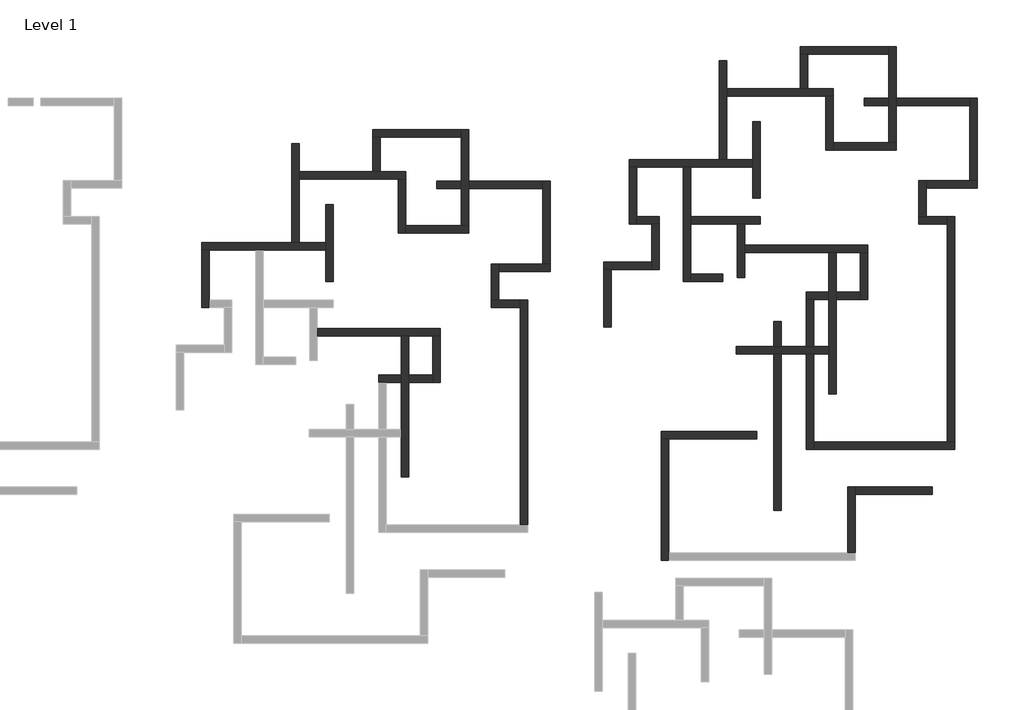
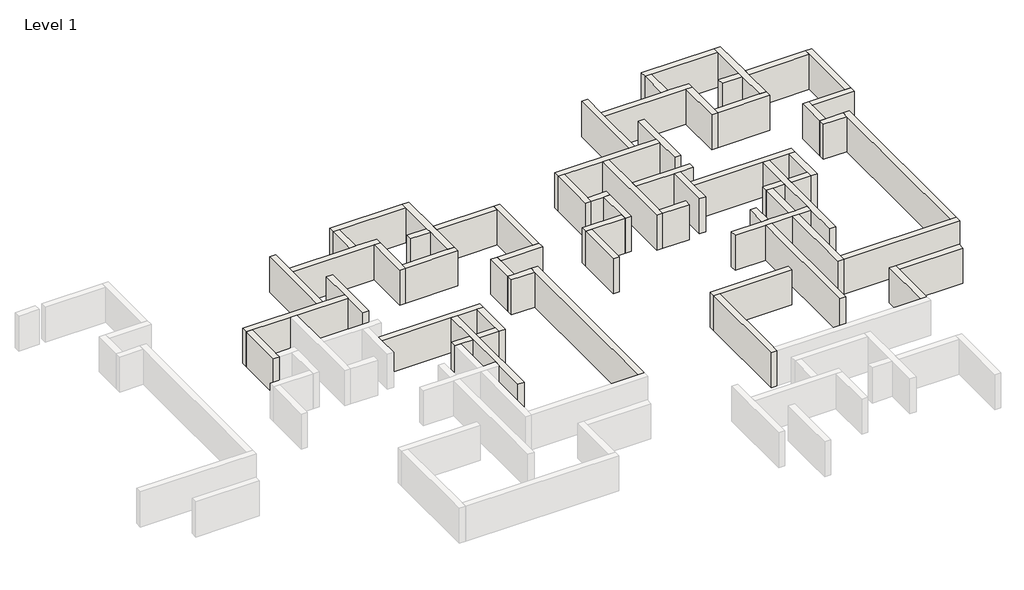
# One storey, part 7 of 7: 56 walls.
"""IFC4 building model written with IfcOpenShell, lengths in millimetres."""

from ifc_helpers import new_model, si_unit, origin, origin_with_axes, place, context, project, spatial, polyline, outline, extrude, faceted_brep, element, save

model = new_model("IFC4")

# Units and contexts
model_context = context("Model", 3, world=origin())
ifc_project = project(units=[si_unit("LENGTHUNIT", "METRE", prefix="MILLI")], contexts=[model_context])

# Site, building, storey
site = spatial("IfcSite", under=ifc_project)
building = spatial("IfcBuilding", under=site)
storey = spatial("IfcBuildingStorey", under=building, Name="Level 1", Elevation=0.0)

# Walls
placement = place(None, origin())
element("IfcWall", 1, ObjectType="Generic - 200mm", at=placement, inside=storey, context=model_context, shape_type="Brep", body=[
    faceted_brep([(37365.1966596, 18137.4534844, 0.0), (37865.1966596, 18137.4534844, 0.0), (40965.1966596, 18137.4534844, 0.0), (41465.1966596, 18137.4534844, 0.0), (45615.1966596, 18137.4534844, 0.0), (45615.1966596, 18137.4534844, 3000.0), (41465.1966596, 18137.4534844, 3000.0), (40965.1966596, 18137.4534844, 3000.0), (37865.1966596, 18137.4534844, 3000.0), (37365.1966596, 18137.4534844, 3000.0), (37365.1966596, 18637.4534844, 0.0), (37365.1966596, 18637.4534844, 3000.0), (43365.1966596, 18637.4534844, 3000.0), (43865.1966596, 18637.4534844, 3000.0), (45615.1966596, 18637.4534844, 3000.0), (45615.1966596, 18637.4534844, 0.0), (43865.1966596, 18637.4534844, 0.0), (43365.1966596, 18637.4534844, 0.0)], [[[0, 1, 2, 3, 4, 5, 6, 7, 8, 9]], [[10, 11, 12, 13, 14, 15, 16, 17]], [[4, 3, 2, 1, 0, 10, 17, 16, 15]], [[9, 8, 7, 6, 5, 14, 13, 12, 11]], [[0, 9, 11, 10]], [[5, 4, 15, 14]]]),
])
element("IfcWall", 2, ObjectType="Generic - 200mm", at=placement, inside=storey, context=model_context, shape_type="Brep", body=[
    faceted_brep([(37365.1966596, 18137.4534844, 0.0), (37365.1966596, 14337.4534844, 0.0), (37365.1966596, 14337.4534844, 3000.0), (37365.1966596, 18137.4534844, 3000.0), (37865.1966596, 18137.4534844, 0.0), (37865.1966596, 18137.4534844, 3000.0), (37865.1966596, 14837.4534844, 3000.0), (37865.1966596, 14337.4534844, 3000.0), (37865.1966596, 14337.4534844, 0.0), (37865.1966596, 14837.4534844, 0.0)], [[[0, 1, 2, 3]], [[4, 5, 6, 7, 8, 9]], [[1, 0, 4, 9, 8]], [[3, 2, 7, 6, 5]], [[0, 3, 5, 4]], [[2, 1, 8, 7]]]),
])
element("IfcWall", 3, ObjectType="Generic - 200mm", at=placement, inside=storey, context=model_context, shape_type="Brep", body=[
    faceted_brep([(45065.1966596, 12437.4534844, 0.0), (50665.1966596, 12437.4534844, 0.0), (51165.1966596, 12437.4534844, 0.0), (52765.1966596, 12437.4534844, 0.0), (53265.1966596, 12437.4534844, 0.0), (53265.1966596, 12437.4534844, 3000.0), (52765.1966596, 12437.4534844, 3000.0), (51165.1966596, 12437.4534844, 3000.0), (50665.1966596, 12437.4534844, 3000.0), (45065.1966596, 12437.4534844, 3000.0), (45065.1966596, 12937.4534844, 0.0), (45065.1966596, 12937.4534844, 3000.0), (53265.1966596, 12937.4534844, 3000.0), (53265.1966596, 12937.4534844, 0.0)], [[[0, 1, 2, 3, 4, 5, 6, 7, 8, 9]], [[10, 11, 12, 13]], [[4, 3, 2, 1, 0, 10, 13]], [[9, 8, 7, 6, 5, 12, 11]], [[0, 9, 11, 10]], [[5, 4, 13, 12]]]),
])
element("IfcWall", 4, ObjectType="Generic - 200mm", at=placement, inside=storey, context=model_context, shape_type="Brep", body=[
    faceted_brep([(50665.1966596, 12437.4534844, 0.0), (50665.1966596, 9837.4534844, 0.0), (50665.1966596, 9337.4534844, 0.0), (50665.1966596, 6187.4534844, 0.0), (50665.1966596, 5687.4534844, 0.0), (50665.1966596, 3037.4534844, 0.0), (50665.1966596, 3037.4534844, 3000.0), (50665.1966596, 5687.4534844, 3000.0), (50665.1966596, 6187.4534844, 3000.0), (50665.1966596, 9337.4534844, 3000.0), (50665.1966596, 9837.4534844, 3000.0), (50665.1966596, 12437.4534844, 3000.0), (51165.1966596, 12437.4534844, 0.0), (51165.1966596, 12437.4534844, 3000.0), (51165.1966596, 9837.4534844, 3000.0), (51165.1966596, 9337.4534844, 3000.0), (51165.1966596, 3037.4534844, 3000.0), (51165.1966596, 3037.4534844, 0.0), (51165.1966596, 9337.4534844, 0.0), (51165.1966596, 9837.4534844, 0.0)], [[[0, 1, 2, 3, 4, 5, 6, 7, 8, 9, 10, 11]], [[12, 13, 14, 15, 16, 17, 18, 19]], [[5, 4, 3, 2, 1, 0, 12, 19, 18, 17]], [[6, 5, 17, 16]], [[11, 10, 9, 8, 7, 6, 16, 15, 14, 13]], [[0, 11, 13, 12]]]),
])
element("IfcWall", 5, ObjectType="Generic - 200mm", at=placement, inside=storey, context=model_context, shape_type="Brep", body=[
    faceted_brep([(43865.1966596, 18637.4534844, 0.0), (43865.1966596, 22887.4534844, 0.0), (43865.1966596, 23387.4534844, 0.0), (43865.1966596, 25237.4534844, 0.0), (43865.1966596, 25237.4534844, 3000.0), (43865.1966596, 23387.4534844, 3000.0), (43865.1966596, 22887.4534844, 3000.0), (43865.1966596, 18637.4534844, 3000.0), (43365.1966596, 18637.4534844, 0.0), (43365.1966596, 18637.4534844, 3000.0), (43365.1966596, 25237.4534844, 3000.0), (43365.1966596, 25237.4534844, 0.0)], [[[0, 1, 2, 3, 4, 5, 6, 7]], [[8, 9, 10, 11]], [[3, 2, 1, 0, 8, 11]], [[4, 3, 11, 10]], [[7, 6, 5, 4, 10, 9]], [[0, 7, 9, 8]]]),
])
element("IfcWall", 6, ObjectType="Generic - 200mm", at=placement, inside=storey, context=model_context, shape_type="Brep", body=[
    faceted_brep([(43865.1966596, 22887.4534844, 0.0), (50465.1966596, 22887.4534844, 0.0), (50965.1966596, 22887.4534844, 0.0), (50965.1966596, 22887.4534844, 3000.0), (50465.1966596, 22887.4534844, 3000.0), (43865.1966596, 22887.4534844, 3000.0), (43865.1966596, 23387.4534844, 0.0), (43865.1966596, 23387.4534844, 3000.0), (48765.1966596, 23387.4534844, 3000.0), (49265.1966596, 23387.4534844, 3000.0), (50965.1966596, 23387.4534844, 3000.0), (50965.1966596, 23387.4534844, 0.0), (49265.1966596, 23387.4534844, 0.0), (48765.1966596, 23387.4534844, 0.0)], [[[0, 1, 2, 3, 4, 5]], [[6, 7, 8, 9, 10, 11, 12, 13]], [[2, 1, 0, 6, 13, 12, 11]], [[5, 4, 3, 10, 9, 8, 7]], [[0, 5, 7, 6]], [[3, 2, 11, 10]]]),
])
element("IfcWall", 7, ObjectType="Generic - 200mm", at=placement, inside=storey, context=model_context, shape_type="Brep", body=[
    faceted_brep([(46115.1966596, 16070.7509089, 0.0), (46115.1966596, 21170.7509089, 0.0), (46115.1966596, 21170.7509089, 3000.0), (46115.1966596, 16070.7509089, 3000.0), (45615.1966596, 16070.7509089, 0.0), (45615.1966596, 16070.7509089, 3000.0), (45615.1966596, 18137.4534844, 3000.0), (45615.1966596, 18637.4534844, 3000.0), (45615.1966596, 21170.7509089, 3000.0), (45615.1966596, 21170.7509089, 0.0), (45615.1966596, 18637.4534844, 0.0), (45615.1966596, 18137.4534844, 0.0)], [[[0, 1, 2, 3]], [[4, 5, 6, 7, 8, 9, 10, 11]], [[1, 0, 4, 11, 10, 9]], [[2, 1, 9, 8]], [[3, 2, 8, 7, 6, 5]], [[0, 3, 5, 4]]]),
])
element("IfcWall", 8, ObjectType="Generic - 200mm", at=placement, inside=storey, context=model_context, shape_type="Brep", body=[
    faceted_brep([(50465.1966596, 22887.4534844, 0.0), (50465.1966596, 19287.4534844, 0.0), (50465.1966596, 19287.4534844, 3000.0), (50465.1966596, 22887.4534844, 3000.0), (50965.1966596, 22887.4534844, 0.0), (50965.1966596, 22887.4534844, 3000.0), (50965.1966596, 19787.4534844, 3000.0), (50965.1966596, 19287.4534844, 3000.0), (50965.1966596, 19287.4534844, 0.0), (50965.1966596, 19787.4534844, 0.0)], [[[0, 1, 2, 3]], [[4, 5, 6, 7, 8, 9]], [[1, 0, 4, 9, 8]], [[3, 2, 7, 6, 5]], [[0, 3, 5, 4]], [[2, 1, 8, 7]]]),
])
element("IfcWall", 9, ObjectType="Generic - 200mm", at=placement, inside=storey, context=model_context, shape_type="Brep", body=[
    faceted_brep([(50965.1966596, 19287.4534844, 0.0), (55165.1966596, 19287.4534844, 0.0), (55165.1966596, 19287.4534844, 3000.0), (50965.1966596, 19287.4534844, 3000.0), (50965.1966596, 19787.4534844, 0.0), (50965.1966596, 19787.4534844, 3000.0), (54665.1966596, 19787.4534844, 3000.0), (55165.1966596, 19787.4534844, 3000.0), (55165.1966596, 19787.4534844, 0.0), (54665.1966596, 19787.4534844, 0.0)], [[[0, 1, 2, 3]], [[4, 5, 6, 7, 8, 9]], [[1, 0, 4, 9, 8]], [[3, 2, 7, 6, 5]], [[0, 3, 5, 4]], [[2, 1, 8, 7]]]),
])
element("IfcWall", 10, ObjectType="Generic - 200mm", at=placement, inside=storey, context=model_context, shape_type="Brep", body=[
    faceted_brep([(55165.1966596, 19787.4534844, 0.0), (55165.1966596, 22237.4534844, 0.0), (55165.1966596, 22737.4534844, 0.0), (55165.1966596, 26187.4534844, 0.0), (55165.1966596, 26187.4534844, 3000.0), (55165.1966596, 22737.4534844, 3000.0), (55165.1966596, 22237.4534844, 3000.0), (55165.1966596, 19787.4534844, 3000.0), (54665.1966596, 19787.4534844, 0.0), (54665.1966596, 19787.4534844, 3000.0), (54665.1966596, 22237.4534844, 3000.0), (54665.1966596, 22737.4534844, 3000.0), (54665.1966596, 25687.4534844, 3000.0), (54665.1966596, 26187.4534844, 3000.0), (54665.1966596, 26187.4534844, 0.0), (54665.1966596, 25687.4534844, 0.0), (54665.1966596, 22737.4534844, 0.0), (54665.1966596, 22237.4534844, 0.0)], [[[0, 1, 2, 3, 4, 5, 6, 7]], [[8, 9, 10, 11, 12, 13, 14, 15, 16, 17]], [[3, 2, 1, 0, 8, 17, 16, 15, 14]], [[7, 6, 5, 4, 13, 12, 11, 10, 9]], [[0, 7, 9, 8]], [[4, 3, 14, 13]]]),
])
element("IfcWall", 11, ObjectType="Generic - 200mm", at=placement, inside=storey, context=model_context, shape_type="Brep", body=[
    faceted_brep([(54665.1966596, 26187.4534844, 0.0), (48765.1966596, 26187.4534844, 0.0), (48765.1966596, 26187.4534844, 3000.0), (54665.1966596, 26187.4534844, 3000.0), (54665.1966596, 25687.4534844, 0.0), (54665.1966596, 25687.4534844, 3000.0), (49265.1966596, 25687.4534844, 3000.0), (48765.1966596, 25687.4534844, 3000.0), (48765.1966596, 25687.4534844, 0.0), (49265.1966596, 25687.4534844, 0.0)], [[[0, 1, 2, 3]], [[4, 5, 6, 7, 8, 9]], [[1, 0, 4, 9, 8]], [[3, 2, 7, 6, 5]], [[0, 3, 5, 4]], [[2, 1, 8, 7]]]),
])
element("IfcWall", 12, ObjectType="Generic - 200mm", at=placement, inside=storey, context=model_context, shape_type="SweptSolid", body=[
    extrude(outline(polyline([(48765.1966596, 23387.4534844), (48765.1966596, 25687.4534844), (49265.1966596, 25687.4534844), (49265.1966596, 23387.4534844), (48765.1966596, 23387.4534844)])), origin_with_axes(), (0.0, 0.0, 1.0), 3000.0),
])
element("IfcWall", 13, ObjectType="Generic - 200mm", at=placement, inside=storey, context=model_context, shape_type="Brep", body=[
    faceted_brep([(52765.1966596, 12437.4534844, 0.0), (52765.1966596, 9837.4534844, 0.0), (52765.1966596, 9337.4534844, 0.0), (52765.1966596, 9337.4534844, 3000.0), (52765.1966596, 9837.4534844, 3000.0), (52765.1966596, 12437.4534844, 3000.0), (53265.1966596, 12437.4534844, 0.0), (53265.1966596, 12437.4534844, 3000.0), (53265.1966596, 9337.4534844, 3000.0), (53265.1966596, 9337.4534844, 0.0)], [[[0, 1, 2, 3, 4, 5]], [[6, 7, 8, 9]], [[2, 1, 0, 6, 9]], [[5, 4, 3, 8, 7]], [[0, 5, 7, 6]], [[3, 2, 9, 8]]]),
])
element("IfcWall", 14, ObjectType="Generic - 200mm", at=placement, inside=storey, context=model_context, shape_type="Brep", body=[
    faceted_brep([(52765.1966596, 9837.4534844, 3000.0), (52765.1966596, 9837.4534844, 0.0), (51165.1966596, 9837.4534844, 0.0), (51165.1966596, 9837.4534844, 3000.0), (52765.1966596, 9337.4534844, 0.0), (52765.1966596, 9337.4534844, 3000.0), (51165.1966596, 9337.4534844, 3000.0), (51165.1966596, 9337.4534844, 0.0)], [[[0, 1, 2, 3]], [[4, 5, 6, 7]], [[1, 4, 7, 2]], [[5, 0, 3, 6]], [[1, 0, 5, 4]], [[3, 2, 7, 6]]]),
    faceted_brep([(49165.1966596, 9837.4534844, 0.0), (49165.1966596, 9837.4534844, 3000.0), (50665.1966596, 9837.4534844, 3000.0), (50665.1966596, 9837.4534844, 0.0), (49165.1966596, 9337.4534844, 3000.0), (49165.1966596, 9337.4534844, 0.0), (49665.1966596, 9337.4534844, 0.0), (50665.1966596, 9337.4534844, 0.0), (50665.1966596, 9337.4534844, 3000.0), (49665.1966596, 9337.4534844, 3000.0)], [[[0, 1, 2, 3]], [[4, 5, 6, 7, 8, 9]], [[5, 0, 3, 7, 6]], [[1, 4, 9, 8, 2]], [[3, 2, 8, 7]], [[1, 0, 5, 4]]]),
])
element("IfcWall", 15, ObjectType="Generic - 200mm", at=placement, inside=storey, context=model_context, shape_type="Brep", body=[
    faceted_brep([(59065.1966596, -162.5465156, 0.0), (59065.1966596, 14837.4534844, 0.0), (59065.1966596, 14837.4534844, 3000.0), (59065.1966596, -162.5465156, 3000.0), (58565.1966596, -162.5465156, 0.0), (58565.1966596, -162.5465156, 3000.0), (58565.1966596, 14337.4534844, 3000.0), (58565.1966596, 14837.4534844, 3000.0), (58565.1966596, 14837.4534844, 0.0), (58565.1966596, 14337.4534844, 0.0)], [[[0, 1, 2, 3]], [[4, 5, 6, 7, 8, 9]], [[1, 0, 4, 9, 8]], [[3, 2, 7, 6, 5]], [[0, 3, 5, 4]], [[2, 1, 8, 7]]]),
])
element("IfcWall", 16, ObjectType="Generic - 200mm", at=placement, inside=storey, context=model_context, shape_type="Brep", body=[
    faceted_brep([(58565.1966596, 14837.4534844, 0.0), (57165.1966596, 14837.4534844, 0.0), (56665.1966596, 14837.4534844, 0.0), (56665.1966596, 14837.4534844, 3000.0), (57165.1966596, 14837.4534844, 3000.0), (58565.1966596, 14837.4534844, 3000.0), (58565.1966596, 14337.4534844, 0.0), (58565.1966596, 14337.4534844, 3000.0), (56665.1966596, 14337.4534844, 3000.0), (56665.1966596, 14337.4534844, 0.0)], [[[0, 1, 2, 3, 4, 5]], [[6, 7, 8, 9]], [[2, 1, 0, 6, 9]], [[5, 4, 3, 8, 7]], [[0, 5, 7, 6]], [[3, 2, 9, 8]]]),
])
element("IfcWall", 17, ObjectType="Generic - 200mm", at=placement, inside=storey, context=model_context, shape_type="Brep", body=[
    faceted_brep([(57165.1966596, 14837.4534844, 0.0), (57165.1966596, 16737.4534844, 0.0), (57165.1966596, 17237.4534844, 0.0), (57165.1966596, 17237.4534844, 3000.0), (57165.1966596, 16737.4534844, 3000.0), (57165.1966596, 14837.4534844, 3000.0), (56665.1966596, 14837.4534844, 0.0), (56665.1966596, 14837.4534844, 3000.0), (56665.1966596, 17237.4534844, 3000.0), (56665.1966596, 17237.4534844, 0.0)], [[[0, 1, 2, 3, 4, 5]], [[6, 7, 8, 9]], [[2, 1, 0, 6, 9]], [[5, 4, 3, 8, 7]], [[0, 5, 7, 6]], [[3, 2, 9, 8]]]),
])
element("IfcWall", 18, ObjectType="Generic - 200mm", at=placement, inside=storey, context=model_context, shape_type="Brep", body=[
    faceted_brep([(57165.1966596, 16737.4534844, 0.0), (60565.1966596, 16737.4534844, 0.0), (60565.1966596, 16737.4534844, 3000.0), (57165.1966596, 16737.4534844, 3000.0), (57165.1966596, 17237.4534844, 0.0), (57165.1966596, 17237.4534844, 3000.0), (60065.1966596, 17237.4534844, 3000.0), (60565.1966596, 17237.4534844, 3000.0), (60565.1966596, 17237.4534844, 0.0), (60065.1966596, 17237.4534844, 0.0)], [[[0, 1, 2, 3]], [[4, 5, 6, 7, 8, 9]], [[1, 0, 4, 9, 8]], [[3, 2, 7, 6, 5]], [[0, 3, 5, 4]], [[2, 1, 8, 7]]]),
])
element("IfcWall", 19, ObjectType="Generic - 200mm", at=placement, inside=storey, context=model_context, shape_type="Brep", body=[
    faceted_brep([(60565.1966596, 17237.4534844, 0.0), (60565.1966596, 22737.4534844, 0.0), (60565.1966596, 22737.4534844, 3000.0), (60565.1966596, 17237.4534844, 3000.0), (60065.1966596, 17237.4534844, 0.0), (60065.1966596, 17237.4534844, 3000.0), (60065.1966596, 22237.4534844, 3000.0), (60065.1966596, 22737.4534844, 3000.0), (60065.1966596, 22737.4534844, 0.0), (60065.1966596, 22237.4534844, 0.0)], [[[0, 1, 2, 3]], [[4, 5, 6, 7, 8, 9]], [[1, 0, 4, 9, 8]], [[3, 2, 7, 6, 5]], [[0, 3, 5, 4]], [[2, 1, 8, 7]]]),
])
element("IfcWall", 20, ObjectType="Generic - 200mm", at=placement, inside=storey, context=model_context, shape_type="SweptSolid", body=[
    extrude(outline(polyline([(53015.1966596, 22237.4534844), (53015.1966596, 22737.4534844), (54665.1966596, 22737.4534844), (54665.1966596, 22237.4534844), (53015.1966596, 22237.4534844)])), origin_with_axes(), (0.0, 0.0, 1.0), 3000.0),
    extrude(outline(polyline([(60065.1966596, 22737.4534844), (60065.1966596, 22237.4534844), (55165.1966596, 22237.4534844), (55165.1966596, 22737.4534844), (60065.1966596, 22737.4534844)])), origin_with_axes(), (0.0, 0.0, 1.0), 3000.0),
])
element("IfcWall", 21, ObjectType="Generic - 200mm", at=placement, inside=storey, context=model_context, shape_type="Brep", body=[
    faceted_brep([(65832.3849796, 23670.9143503, 0.0), (66332.3849796, 23670.9143503, 0.0), (69432.3849796, 23670.9143503, 0.0), (69932.3849796, 23670.9143503, 0.0), (74082.3849796, 23670.9143503, 0.0), (74082.3849796, 23670.9143503, 3000.0), (69932.3849796, 23670.9143503, 3000.0), (69432.3849796, 23670.9143503, 3000.0), (66332.3849796, 23670.9143503, 3000.0), (65832.3849796, 23670.9143503, 3000.0), (65832.3849796, 24170.9143503, 0.0), (65832.3849796, 24170.9143503, 3000.0), (71832.3849796, 24170.9143503, 3000.0), (72332.3849796, 24170.9143503, 3000.0), (74082.3849796, 24170.9143503, 3000.0), (74082.3849796, 24170.9143503, 0.0), (72332.3849796, 24170.9143503, 0.0), (71832.3849796, 24170.9143503, 0.0)], [[[0, 1, 2, 3, 4, 5, 6, 7, 8, 9]], [[10, 11, 12, 13, 14, 15, 16, 17]], [[4, 3, 2, 1, 0, 10, 17, 16, 15]], [[9, 8, 7, 6, 5, 14, 13, 12, 11]], [[0, 9, 11, 10]], [[5, 4, 15, 14]]]),
])
element("IfcWall", 22, ObjectType="Generic - 200mm", at=placement, inside=storey, context=model_context, shape_type="Brep", body=[
    faceted_brep([(69432.3849796, 23670.9143503, 0.0), (69432.3849796, 16070.9143503, 0.0), (69432.3849796, 16070.9143503, 3000.0), (69432.3849796, 23670.9143503, 3000.0), (69932.3849796, 23670.9143503, 0.0), (69932.3849796, 23670.9143503, 3000.0), (69932.3849796, 20370.9143503, 3000.0), (69932.3849796, 19870.9143503, 3000.0), (69932.3849796, 16570.9143503, 3000.0), (69932.3849796, 16070.9143503, 3000.0), (69932.3849796, 16070.9143503, 0.0), (69932.3849796, 16570.9143503, 0.0), (69932.3849796, 19870.9143503, 0.0), (69932.3849796, 20370.9143503, 0.0)], [[[0, 1, 2, 3]], [[4, 5, 6, 7, 8, 9, 10, 11, 12, 13]], [[1, 0, 4, 13, 12, 11, 10]], [[3, 2, 9, 8, 7, 6, 5]], [[0, 3, 5, 4]], [[2, 1, 10, 9]]]),
])
element("IfcWall", 23, ObjectType="Generic - 200mm", at=placement, inside=storey, context=model_context, shape_type="Brep", body=[
    faceted_brep([(69932.3849796, 19870.9143503, 0.0), (73032.3849796, 19870.9143503, 0.0), (73532.3849796, 19870.9143503, 0.0), (74582.3849796, 19870.9143503, 0.0), (74582.3849796, 19870.9143503, 3000.0), (73532.3849796, 19870.9143503, 3000.0), (73032.3849796, 19870.9143503, 3000.0), (69932.3849796, 19870.9143503, 3000.0), (69932.3849796, 20370.9143503, 0.0), (69932.3849796, 20370.9143503, 3000.0), (74582.3849796, 20370.9143503, 3000.0), (74582.3849796, 20370.9143503, 0.0)], [[[0, 1, 2, 3, 4, 5, 6, 7]], [[8, 9, 10, 11]], [[3, 2, 1, 0, 8, 11]], [[4, 3, 11, 10]], [[7, 6, 5, 4, 10, 9]], [[0, 7, 9, 8]]]),
])
element("IfcWall", 24, ObjectType="Generic - 200mm", at=placement, inside=storey, context=model_context, shape_type="Brep", body=[
    faceted_brep([(73032.3849796, 19870.9143503, 0.0), (73032.3849796, 16320.9143503, 0.0), (73032.3849796, 16320.9143503, 3000.0), (73032.3849796, 19870.9143503, 3000.0), (73532.3849796, 19870.9143503, 0.0), (73532.3849796, 19870.9143503, 3000.0), (73532.3849796, 18470.9143503, 3000.0), (73532.3849796, 17970.9143503, 3000.0), (73532.3849796, 16320.9143503, 3000.0), (73532.3849796, 16320.9143503, 0.0), (73532.3849796, 17970.9143503, 0.0), (73532.3849796, 18470.9143503, 0.0)], [[[0, 1, 2, 3]], [[4, 5, 6, 7, 8, 9, 10, 11]], [[1, 0, 4, 11, 10, 9]], [[2, 1, 9, 8]], [[3, 2, 8, 7, 6, 5]], [[0, 3, 5, 4]]]),
])
element("IfcWall", 25, ObjectType="Generic - 200mm", at=placement, inside=storey, context=model_context, shape_type="Brep", body=[
    faceted_brep([(65832.3849796, 23670.9143503, 0.0), (65832.3849796, 19870.9143503, 0.0), (65832.3849796, 19870.9143503, 3000.0), (65832.3849796, 23670.9143503, 3000.0), (66332.3849796, 23670.9143503, 0.0), (66332.3849796, 23670.9143503, 3000.0), (66332.3849796, 20370.9143503, 3000.0), (66332.3849796, 19870.9143503, 3000.0), (66332.3849796, 19870.9143503, 0.0), (66332.3849796, 20370.9143503, 0.0)], [[[0, 1, 2, 3]], [[4, 5, 6, 7, 8, 9]], [[1, 0, 4, 9, 8]], [[3, 2, 7, 6, 5]], [[0, 3, 5, 4]], [[2, 1, 8, 7]]]),
])
element("IfcWall", 26, ObjectType="Generic - 200mm", at=placement, inside=storey, context=model_context, shape_type="Brep", body=[
    faceted_brep([(66332.3849796, 19870.9143503, 0.0), (67332.3849796, 19870.9143503, 0.0), (67832.3849796, 19870.9143503, 0.0), (67832.3849796, 19870.9143503, 3000.0), (67332.3849796, 19870.9143503, 3000.0), (66332.3849796, 19870.9143503, 3000.0), (66332.3849796, 20370.9143503, 0.0), (66332.3849796, 20370.9143503, 3000.0), (67832.3849796, 20370.9143503, 3000.0), (67832.3849796, 20370.9143503, 0.0)], [[[0, 1, 2, 3, 4, 5]], [[6, 7, 8, 9]], [[2, 1, 0, 6, 9]], [[5, 4, 3, 8, 7]], [[0, 5, 7, 6]], [[3, 2, 9, 8]]]),
])
element("IfcWall", 27, ObjectType="Generic - 200mm", at=placement, inside=storey, context=model_context, shape_type="Brep", body=[
    faceted_brep([(67332.3849796, 19870.9143503, 0.0), (67332.3849796, 17370.9143503, 0.0), (67332.3849796, 16870.9143503, 0.0), (67332.3849796, 16870.9143503, 3000.0), (67332.3849796, 17370.9143503, 3000.0), (67332.3849796, 19870.9143503, 3000.0), (67832.3849796, 19870.9143503, 0.0), (67832.3849796, 19870.9143503, 3000.0), (67832.3849796, 16870.9143503, 3000.0), (67832.3849796, 16870.9143503, 0.0)], [[[0, 1, 2, 3, 4, 5]], [[6, 7, 8, 9]], [[2, 1, 0, 6, 9]], [[5, 4, 3, 8, 7]], [[0, 5, 7, 6]], [[3, 2, 9, 8]]]),
])
element("IfcWall", 28, ObjectType="Generic - 200mm", at=placement, inside=storey, context=model_context, shape_type="Brep", body=[
    faceted_brep([(67332.3849796, 17370.9143503, 0.0), (64132.3849796, 17370.9143503, 0.0), (64132.3849796, 17370.9143503, 3000.0), (67332.3849796, 17370.9143503, 3000.0), (67332.3849796, 16870.9143503, 0.0), (67332.3849796, 16870.9143503, 3000.0), (64632.3849796, 16870.9143503, 3000.0), (64132.3849796, 16870.9143503, 3000.0), (64132.3849796, 16870.9143503, 0.0), (64632.3849796, 16870.9143503, 0.0)], [[[0, 1, 2, 3]], [[4, 5, 6, 7, 8, 9]], [[1, 0, 4, 9, 8]], [[3, 2, 7, 6, 5]], [[0, 3, 5, 4]], [[2, 1, 8, 7]]]),
])
element("IfcWall", 29, ObjectType="Generic - 200mm", at=placement, inside=storey, context=model_context, shape_type="SweptSolid", body=[
    extrude(outline(polyline([(64132.3849796, 13020.9143503), (64132.3849796, 16870.9143503), (64632.3849796, 16870.9143503), (64632.3849796, 13020.9143503), (64132.3849796, 13020.9143503)])), origin_with_axes(), (0.0, 0.0, 1.0), 3000.0),
])
element("IfcWall", 30, ObjectType="Generic - 200mm", at=placement, inside=storey, context=model_context, shape_type="SweptSolid", body=[
    extrude(outline(polyline([(72082.3849796, 16070.9143503), (69932.3849796, 16070.9143503), (69932.3849796, 16570.9143503), (72082.3849796, 16570.9143503), (72082.3849796, 16070.9143503)])), origin_with_axes(), (0.0, 0.0, 1.0), 3000.0),
])
element("IfcWall", 31, ObjectType="Generic - 200mm", at=placement, inside=storey, context=model_context, shape_type="Brep", body=[
    faceted_brep([(73532.3849796, 17970.9143503, 0.0), (79132.3849796, 17970.9143503, 0.0), (79632.3849796, 17970.9143503, 0.0), (81232.3849796, 17970.9143503, 0.0), (81732.3849796, 17970.9143503, 0.0), (81732.3849796, 17970.9143503, 3000.0), (81232.3849796, 17970.9143503, 3000.0), (79632.3849796, 17970.9143503, 3000.0), (79132.3849796, 17970.9143503, 3000.0), (73532.3849796, 17970.9143503, 3000.0), (73532.3849796, 18470.9143503, 0.0), (73532.3849796, 18470.9143503, 3000.0), (81732.3849796, 18470.9143503, 3000.0), (81732.3849796, 18470.9143503, 0.0)], [[[0, 1, 2, 3, 4, 5, 6, 7, 8, 9]], [[10, 11, 12, 13]], [[4, 3, 2, 1, 0, 10, 13]], [[9, 8, 7, 6, 5, 12, 11]], [[0, 9, 11, 10]], [[5, 4, 13, 12]]]),
])
element("IfcWall", 32, ObjectType="Generic - 200mm", at=placement, inside=storey, context=model_context, shape_type="Brep", body=[
    faceted_brep([(79132.3849796, 17970.9143503, 0.0), (79132.3849796, 15370.9143503, 0.0), (79132.3849796, 14870.9143503, 0.0), (79132.3849796, 11720.9143503, 0.0), (79132.3849796, 11220.9143503, 0.0), (79132.3849796, 8570.9143503, 0.0), (79132.3849796, 8570.9143503, 3000.0), (79132.3849796, 11220.9143503, 3000.0), (79132.3849796, 11720.9143503, 3000.0), (79132.3849796, 14870.9143503, 3000.0), (79132.3849796, 15370.9143503, 3000.0), (79132.3849796, 17970.9143503, 3000.0), (79632.3849796, 17970.9143503, 0.0), (79632.3849796, 17970.9143503, 3000.0), (79632.3849796, 15370.9143503, 3000.0), (79632.3849796, 14870.9143503, 3000.0), (79632.3849796, 8570.9143503, 3000.0), (79632.3849796, 8570.9143503, 0.0), (79632.3849796, 14870.9143503, 0.0), (79632.3849796, 15370.9143503, 0.0)], [[[0, 1, 2, 3, 4, 5, 6, 7, 8, 9, 10, 11]], [[12, 13, 14, 15, 16, 17, 18, 19]], [[5, 4, 3, 2, 1, 0, 12, 19, 18, 17]], [[6, 5, 17, 16]], [[11, 10, 9, 8, 7, 6, 16, 15, 14, 13]], [[0, 11, 13, 12]]]),
])
element("IfcWall", 33, ObjectType="Generic - 200mm", at=placement, inside=storey, context=model_context, shape_type="Brep", body=[
    faceted_brep([(79132.3849796, 11720.9143503, 0.0), (78132.3849796, 11720.9143503, 0.0), (77632.3849796, 11720.9143503, 0.0), (75951.9708687, 11720.9143503, 0.0), (75451.9708687, 11720.9143503, 0.0), (72982.3849796, 11720.9143503, 0.0), (72982.3849796, 11720.9143503, 3000.0), (75451.9708687, 11720.9143503, 3000.0), (75951.9708687, 11720.9143503, 3000.0), (77632.3849796, 11720.9143503, 3000.0), (78132.3849796, 11720.9143503, 3000.0), (79132.3849796, 11720.9143503, 3000.0), (79132.3849796, 11220.9143503, 0.0), (79132.3849796, 11220.9143503, 3000.0), (78132.3849796, 11220.9143503, 3000.0), (77632.3849796, 11220.9143503, 3000.0), (75951.9708687, 11220.9143503, 3000.0), (75451.9708687, 11220.9143503, 3000.0), (72982.3849796, 11220.9143503, 3000.0), (72982.3849796, 11220.9143503, 0.0), (75451.9708687, 11220.9143503, 0.0), (75951.9708687, 11220.9143503, 0.0), (77632.3849796, 11220.9143503, 0.0), (78132.3849796, 11220.9143503, 0.0)], [[[0, 1, 2, 3, 4, 5, 6, 7, 8, 9, 10, 11]], [[12, 13, 14, 15, 16, 17, 18, 19, 20, 21, 22, 23]], [[5, 4, 3, 2, 1, 0, 12, 23, 22, 21, 20, 19]], [[6, 5, 19, 18]], [[11, 10, 9, 8, 7, 6, 18, 17, 16, 15, 14, 13]], [[0, 11, 13, 12]]]),
])
element("IfcWall", 34, ObjectType="Generic - 200mm", at=placement, inside=storey, context=model_context, shape_type="Brep", body=[
    faceted_brep([(72332.3849796, 24170.9143503, 0.0), (72332.3849796, 28420.9143503, 0.0), (72332.3849796, 28920.9143503, 0.0), (72332.3849796, 30770.9143503, 0.0), (72332.3849796, 30770.9143503, 3000.0), (72332.3849796, 28920.9143503, 3000.0), (72332.3849796, 28420.9143503, 3000.0), (72332.3849796, 24170.9143503, 3000.0), (71832.3849796, 24170.9143503, 0.0), (71832.3849796, 24170.9143503, 3000.0), (71832.3849796, 30770.9143503, 3000.0), (71832.3849796, 30770.9143503, 0.0)], [[[0, 1, 2, 3, 4, 5, 6, 7]], [[8, 9, 10, 11]], [[3, 2, 1, 0, 8, 11]], [[4, 3, 11, 10]], [[7, 6, 5, 4, 10, 9]], [[0, 7, 9, 8]]]),
])
element("IfcWall", 35, ObjectType="Generic - 200mm", at=placement, inside=storey, context=model_context, shape_type="Brep", body=[
    faceted_brep([(72332.3849796, 28420.9143503, 0.0), (78932.3849796, 28420.9143503, 0.0), (79432.3849796, 28420.9143503, 0.0), (79432.3849796, 28420.9143503, 3000.0), (78932.3849796, 28420.9143503, 3000.0), (72332.3849796, 28420.9143503, 3000.0), (72332.3849796, 28920.9143503, 0.0), (72332.3849796, 28920.9143503, 3000.0), (77232.3849796, 28920.9143503, 3000.0), (77732.3849796, 28920.9143503, 3000.0), (79432.3849796, 28920.9143503, 3000.0), (79432.3849796, 28920.9143503, 0.0), (77732.3849796, 28920.9143503, 0.0), (77232.3849796, 28920.9143503, 0.0)], [[[0, 1, 2, 3, 4, 5]], [[6, 7, 8, 9, 10, 11, 12, 13]], [[2, 1, 0, 6, 13, 12, 11]], [[5, 4, 3, 10, 9, 8, 7]], [[0, 5, 7, 6]], [[3, 2, 11, 10]]]),
])
element("IfcWall", 36, ObjectType="Generic - 200mm", at=placement, inside=storey, context=model_context, shape_type="Brep", body=[
    faceted_brep([(74582.3849796, 21604.2117749, 0.0), (74582.3849796, 26704.2117749, 0.0), (74582.3849796, 26704.2117749, 3000.0), (74582.3849796, 21604.2117749, 3000.0), (74082.3849796, 21604.2117749, 0.0), (74082.3849796, 21604.2117749, 3000.0), (74082.3849796, 23670.9143503, 3000.0), (74082.3849796, 24170.9143503, 3000.0), (74082.3849796, 26704.2117749, 3000.0), (74082.3849796, 26704.2117749, 0.0), (74082.3849796, 24170.9143503, 0.0), (74082.3849796, 23670.9143503, 0.0)], [[[0, 1, 2, 3]], [[4, 5, 6, 7, 8, 9, 10, 11]], [[1, 0, 4, 11, 10, 9]], [[2, 1, 9, 8]], [[3, 2, 8, 7, 6, 5]], [[0, 3, 5, 4]]]),
])
element("IfcWall", 37, ObjectType="Generic - 200mm", at=placement, inside=storey, context=model_context, shape_type="SweptSolid", body=[
    extrude(outline(polyline([(75951.9708687, 798.0003058), (75451.9708687, 798.0003058), (75451.9708687, 11220.9143503), (75951.9708687, 11220.9143503), (75951.9708687, 798.0003058)])), origin_with_axes(), (0.0, 0.0, 1.0), 3000.0),
    extrude(outline(polyline([(75451.9708687, 13398.0003058), (75951.9708687, 13398.0003058), (75951.9708687, 11720.9143503), (75451.9708687, 11720.9143503), (75451.9708687, 13398.0003058)])), origin_with_axes(), (0.0, 0.0, 1.0), 3000.0),
])
element("IfcWall", 38, ObjectType="Generic - 200mm", at=placement, inside=storey, context=model_context, shape_type="Brep", body=[
    faceted_brep([(78932.3849796, 28420.9143503, 0.0), (78932.3849796, 24820.9143503, 0.0), (78932.3849796, 24820.9143503, 3000.0), (78932.3849796, 28420.9143503, 3000.0), (79432.3849796, 28420.9143503, 0.0), (79432.3849796, 28420.9143503, 3000.0), (79432.3849796, 25320.9143503, 3000.0), (79432.3849796, 24820.9143503, 3000.0), (79432.3849796, 24820.9143503, 0.0), (79432.3849796, 25320.9143503, 0.0)], [[[0, 1, 2, 3]], [[4, 5, 6, 7, 8, 9]], [[1, 0, 4, 9, 8]], [[3, 2, 7, 6, 5]], [[0, 3, 5, 4]], [[2, 1, 8, 7]]]),
])
element("IfcWall", 39, ObjectType="Generic - 200mm", at=placement, inside=storey, context=model_context, shape_type="Brep", body=[
    faceted_brep([(79432.3849796, 24820.9143503, 0.0), (83632.3849796, 24820.9143503, 0.0), (83632.3849796, 24820.9143503, 3000.0), (79432.3849796, 24820.9143503, 3000.0), (79432.3849796, 25320.9143503, 0.0), (79432.3849796, 25320.9143503, 3000.0), (83132.3849796, 25320.9143503, 3000.0), (83632.3849796, 25320.9143503, 3000.0), (83632.3849796, 25320.9143503, 0.0), (83132.3849796, 25320.9143503, 0.0)], [[[0, 1, 2, 3]], [[4, 5, 6, 7, 8, 9]], [[1, 0, 4, 9, 8]], [[3, 2, 7, 6, 5]], [[0, 3, 5, 4]], [[2, 1, 8, 7]]]),
])
element("IfcWall", 40, ObjectType="Generic - 200mm", at=placement, inside=storey, context=model_context, shape_type="Brep", body=[
    faceted_brep([(83632.3849796, 25320.9143503, 0.0), (83632.3849796, 27770.9143503, 0.0), (83632.3849796, 28270.9143503, 0.0), (83632.3849796, 31720.9143503, 0.0), (83632.3849796, 31720.9143503, 3000.0), (83632.3849796, 28270.9143503, 3000.0), (83632.3849796, 27770.9143503, 3000.0), (83632.3849796, 25320.9143503, 3000.0), (83132.3849796, 25320.9143503, 0.0), (83132.3849796, 25320.9143503, 3000.0), (83132.3849796, 27770.9143503, 3000.0), (83132.3849796, 28270.9143503, 3000.0), (83132.3849796, 31220.9143503, 3000.0), (83132.3849796, 31720.9143503, 3000.0), (83132.3849796, 31720.9143503, 0.0), (83132.3849796, 31220.9143503, 0.0), (83132.3849796, 28270.9143503, 0.0), (83132.3849796, 27770.9143503, 0.0)], [[[0, 1, 2, 3, 4, 5, 6, 7]], [[8, 9, 10, 11, 12, 13, 14, 15, 16, 17]], [[3, 2, 1, 0, 8, 17, 16, 15, 14]], [[7, 6, 5, 4, 13, 12, 11, 10, 9]], [[0, 7, 9, 8]], [[4, 3, 14, 13]]]),
])
element("IfcWall", 41, ObjectType="Generic - 200mm", at=placement, inside=storey, context=model_context, shape_type="Brep", body=[
    faceted_brep([(83132.3849796, 31720.9143503, 0.0), (77232.3849796, 31720.9143503, 0.0), (77232.3849796, 31720.9143503, 3000.0), (83132.3849796, 31720.9143503, 3000.0), (83132.3849796, 31220.9143503, 0.0), (83132.3849796, 31220.9143503, 3000.0), (77732.3849796, 31220.9143503, 3000.0), (77232.3849796, 31220.9143503, 3000.0), (77232.3849796, 31220.9143503, 0.0), (77732.3849796, 31220.9143503, 0.0)], [[[0, 1, 2, 3]], [[4, 5, 6, 7, 8, 9]], [[1, 0, 4, 9, 8]], [[3, 2, 7, 6, 5]], [[0, 3, 5, 4]], [[2, 1, 8, 7]]]),
])
element("IfcWall", 42, ObjectType="Generic - 200mm", at=placement, inside=storey, context=model_context, shape_type="SweptSolid", body=[
    extrude(outline(polyline([(77232.3849796, 28920.9143503), (77232.3849796, 31220.9143503), (77732.3849796, 31220.9143503), (77732.3849796, 28920.9143503), (77232.3849796, 28920.9143503)])), origin_with_axes(), (0.0, 0.0, 1.0), 3000.0),
])
element("IfcWall", 43, ObjectType="Generic - 200mm", at=placement, inside=storey, context=model_context, shape_type="Brep", body=[
    faceted_brep([(81232.3849796, 17970.9143503, 0.0), (81232.3849796, 15370.9143503, 0.0), (81232.3849796, 14870.9143503, 0.0), (81232.3849796, 14870.9143503, 3000.0), (81232.3849796, 15370.9143503, 3000.0), (81232.3849796, 17970.9143503, 3000.0), (81732.3849796, 17970.9143503, 0.0), (81732.3849796, 17970.9143503, 3000.0), (81732.3849796, 14870.9143503, 3000.0), (81732.3849796, 14870.9143503, 0.0)], [[[0, 1, 2, 3, 4, 5]], [[6, 7, 8, 9]], [[2, 1, 0, 6, 9]], [[5, 4, 3, 8, 7]], [[0, 5, 7, 6]], [[3, 2, 9, 8]]]),
])
element("IfcWall", 44, ObjectType="Generic - 200mm", at=placement, inside=storey, context=model_context, shape_type="Brep", body=[
    faceted_brep([(81232.3849796, 15370.9143503, 3000.0), (81232.3849796, 15370.9143503, 0.0), (79632.3849796, 15370.9143503, 0.0), (79632.3849796, 15370.9143503, 3000.0), (81232.3849796, 14870.9143503, 0.0), (81232.3849796, 14870.9143503, 3000.0), (79632.3849796, 14870.9143503, 3000.0), (79632.3849796, 14870.9143503, 0.0)], [[[0, 1, 2, 3]], [[4, 5, 6, 7]], [[1, 4, 7, 2]], [[5, 0, 3, 6]], [[1, 0, 5, 4]], [[3, 2, 7, 6]]]),
    faceted_brep([(77632.3849796, 15370.9143503, 0.0), (77632.3849796, 15370.9143503, 3000.0), (79132.3849796, 15370.9143503, 3000.0), (79132.3849796, 15370.9143503, 0.0), (77632.3849796, 14870.9143503, 3000.0), (77632.3849796, 14870.9143503, 0.0), (78132.3849796, 14870.9143503, 0.0), (79132.3849796, 14870.9143503, 0.0), (79132.3849796, 14870.9143503, 3000.0), (78132.3849796, 14870.9143503, 3000.0)], [[[0, 1, 2, 3]], [[4, 5, 6, 7, 8, 9]], [[5, 0, 3, 7, 6]], [[1, 4, 9, 8, 2]], [[3, 2, 8, 7]], [[1, 0, 5, 4]]]),
])
element("IfcWall", 45, ObjectType="Generic - 200mm", at=placement, inside=storey, context=model_context, shape_type="Brep", body=[
    faceted_brep([(77632.3849796, 14870.9143503, 3000.0), (77632.3849796, 14870.9143503, 0.0), (77632.3849796, 11720.9143503, 0.0), (77632.3849796, 11720.9143503, 3000.0), (78132.3849796, 14870.9143503, 0.0), (78132.3849796, 14870.9143503, 3000.0), (78132.3849796, 11720.9143503, 3000.0), (78132.3849796, 11720.9143503, 0.0)], [[[0, 1, 2, 3]], [[4, 5, 6, 7]], [[1, 4, 7, 2]], [[5, 0, 3, 6]], [[1, 0, 5, 4]], [[3, 2, 7, 6]]]),
    faceted_brep([(77632.3849796, 4870.9143503, 0.0), (77632.3849796, 4870.9143503, 3000.0), (77632.3849796, 11220.9143503, 3000.0), (77632.3849796, 11220.9143503, 0.0), (78132.3849796, 4870.9143503, 3000.0), (78132.3849796, 4870.9143503, 0.0), (78132.3849796, 5370.9143503, 0.0), (78132.3849796, 11220.9143503, 0.0), (78132.3849796, 11220.9143503, 3000.0), (78132.3849796, 5370.9143503, 3000.0)], [[[0, 1, 2, 3]], [[4, 5, 6, 7, 8, 9]], [[5, 0, 3, 7, 6]], [[1, 4, 9, 8, 2]], [[3, 2, 8, 7]], [[1, 0, 5, 4]]]),
])
element("IfcWall", 46, ObjectType="Generic - 200mm", at=placement, inside=storey, context=model_context, shape_type="Brep", body=[
    faceted_brep([(78132.3849796, 4870.9143503, 0.0), (87532.3849796, 4870.9143503, 0.0), (87532.3849796, 4870.9143503, 3000.0), (78132.3849796, 4870.9143503, 3000.0), (78132.3849796, 5370.9143503, 0.0), (78132.3849796, 5370.9143503, 3000.0), (87032.3849796, 5370.9143503, 3000.0), (87532.3849796, 5370.9143503, 3000.0), (87532.3849796, 5370.9143503, 0.0), (87032.3849796, 5370.9143503, 0.0)], [[[0, 1, 2, 3]], [[4, 5, 6, 7, 8, 9]], [[1, 0, 4, 9, 8]], [[3, 2, 7, 6, 5]], [[0, 3, 5, 4]], [[2, 1, 8, 7]]]),
])
element("IfcWall", 47, ObjectType="Generic - 200mm", at=placement, inside=storey, context=model_context, shape_type="Brep", body=[
    faceted_brep([(87532.3849796, 5370.9143503, 0.0), (87532.3849796, 20370.9143503, 0.0), (87532.3849796, 20370.9143503, 3000.0), (87532.3849796, 5370.9143503, 3000.0), (87032.3849796, 5370.9143503, 0.0), (87032.3849796, 5370.9143503, 3000.0), (87032.3849796, 19870.9143503, 3000.0), (87032.3849796, 20370.9143503, 3000.0), (87032.3849796, 20370.9143503, 0.0), (87032.3849796, 19870.9143503, 0.0)], [[[0, 1, 2, 3]], [[4, 5, 6, 7, 8, 9]], [[1, 0, 4, 9, 8]], [[3, 2, 7, 6, 5]], [[0, 3, 5, 4]], [[2, 1, 8, 7]]]),
])
element("IfcWall", 48, ObjectType="Generic - 200mm", at=placement, inside=storey, context=model_context, shape_type="Brep", body=[
    faceted_brep([(87032.3849796, 20370.9143503, 0.0), (85632.3849796, 20370.9143503, 0.0), (85132.3849796, 20370.9143503, 0.0), (85132.3849796, 20370.9143503, 3000.0), (85632.3849796, 20370.9143503, 3000.0), (87032.3849796, 20370.9143503, 3000.0), (87032.3849796, 19870.9143503, 0.0), (87032.3849796, 19870.9143503, 3000.0), (85132.3849796, 19870.9143503, 3000.0), (85132.3849796, 19870.9143503, 0.0)], [[[0, 1, 2, 3, 4, 5]], [[6, 7, 8, 9]], [[2, 1, 0, 6, 9]], [[5, 4, 3, 8, 7]], [[0, 5, 7, 6]], [[3, 2, 9, 8]]]),
])
element("IfcWall", 49, ObjectType="Generic - 200mm", at=placement, inside=storey, context=model_context, shape_type="Brep", body=[
    faceted_brep([(85632.3849796, 20370.9143503, 0.0), (85632.3849796, 22270.9143503, 0.0), (85632.3849796, 22770.9143503, 0.0), (85632.3849796, 22770.9143503, 3000.0), (85632.3849796, 22270.9143503, 3000.0), (85632.3849796, 20370.9143503, 3000.0), (85132.3849796, 20370.9143503, 0.0), (85132.3849796, 20370.9143503, 3000.0), (85132.3849796, 22770.9143503, 3000.0), (85132.3849796, 22770.9143503, 0.0)], [[[0, 1, 2, 3, 4, 5]], [[6, 7, 8, 9]], [[2, 1, 0, 6, 9]], [[5, 4, 3, 8, 7]], [[0, 5, 7, 6]], [[3, 2, 9, 8]]]),
])
element("IfcWall", 50, ObjectType="Generic - 200mm", at=placement, inside=storey, context=model_context, shape_type="Brep", body=[
    faceted_brep([(85632.3849796, 22270.9143503, 0.0), (89032.3849796, 22270.9143503, 0.0), (89032.3849796, 22270.9143503, 3000.0), (85632.3849796, 22270.9143503, 3000.0), (85632.3849796, 22770.9143503, 0.0), (85632.3849796, 22770.9143503, 3000.0), (88532.3849796, 22770.9143503, 3000.0), (89032.3849796, 22770.9143503, 3000.0), (89032.3849796, 22770.9143503, 0.0), (88532.3849796, 22770.9143503, 0.0)], [[[0, 1, 2, 3]], [[4, 5, 6, 7, 8, 9]], [[1, 0, 4, 9, 8]], [[3, 2, 7, 6, 5]], [[0, 3, 5, 4]], [[2, 1, 8, 7]]]),
])
element("IfcWall", 51, ObjectType="Generic - 200mm", at=placement, inside=storey, context=model_context, shape_type="Brep", body=[
    faceted_brep([(89032.3849796, 22770.9143503, 0.0), (89032.3849796, 28270.9143503, 0.0), (89032.3849796, 28270.9143503, 3000.0), (89032.3849796, 22770.9143503, 3000.0), (88532.3849796, 22770.9143503, 0.0), (88532.3849796, 22770.9143503, 3000.0), (88532.3849796, 27770.9143503, 3000.0), (88532.3849796, 28270.9143503, 3000.0), (88532.3849796, 28270.9143503, 0.0), (88532.3849796, 27770.9143503, 0.0)], [[[0, 1, 2, 3]], [[4, 5, 6, 7, 8, 9]], [[1, 0, 4, 9, 8]], [[3, 2, 7, 6, 5]], [[0, 3, 5, 4]], [[2, 1, 8, 7]]]),
])
element("IfcWall", 52, ObjectType="Generic - 200mm", at=placement, inside=storey, context=model_context, shape_type="SweptSolid", body=[
    extrude(outline(polyline([(81482.3849796, 27770.9143503), (81482.3849796, 28270.9143503), (83132.3849796, 28270.9143503), (83132.3849796, 27770.9143503), (81482.3849796, 27770.9143503)])), origin_with_axes(), (0.0, 0.0, 1.0), 3000.0),
    extrude(outline(polyline([(88532.3849796, 28270.9143503), (88532.3849796, 27770.9143503), (83632.3849796, 27770.9143503), (83632.3849796, 28270.9143503), (88532.3849796, 28270.9143503)])), origin_with_axes(), (0.0, 0.0, 1.0), 3000.0),
])
element("IfcWall", 53, ObjectType="Generic - 200mm", at=placement, inside=storey, context=model_context, shape_type="Brep", body=[
    faceted_brep([(74332.3849796, 6070.9143503, 0.0), (67982.3849796, 6070.9143503, 0.0), (67982.3849796, 6070.9143503, 3000.0), (74332.3849796, 6070.9143503, 3000.0), (74332.3849796, 5570.9143503, 0.0), (74332.3849796, 5570.9143503, 3000.0), (68482.3849796, 5570.9143503, 3000.0), (67982.3849796, 5570.9143503, 3000.0), (67982.3849796, 5570.9143503, 0.0), (68482.3849796, 5570.9143503, 0.0)], [[[0, 1, 2, 3]], [[4, 5, 6, 7, 8, 9]], [[1, 0, 4, 9, 8]], [[3, 2, 7, 6, 5]], [[0, 3, 5, 4]], [[2, 1, 8, 7]]]),
])
element("IfcWall", 54, ObjectType="Generic - 200mm", at=placement, inside=storey, context=model_context, shape_type="Brep", body=[
    faceted_brep([(67982.3849796, 5570.9143503, 0.0), (67982.3849796, -2529.0856497, 0.0), (67982.3849796, -2529.0856497, 3000.0), (67982.3849796, 5570.9143503, 3000.0), (68482.3849796, 5570.9143503, 0.0), (68482.3849796, 5570.9143503, 3000.0), (68482.3849796, -2029.0856497, 3000.0), (68482.3849796, -2529.0856497, 3000.0), (68482.3849796, -2529.0856497, 0.0), (68482.3849796, -2029.0856497, 0.0)], [[[0, 1, 2, 3]], [[4, 5, 6, 7, 8, 9]], [[1, 0, 4, 9, 8]], [[3, 2, 7, 6, 5]], [[0, 3, 5, 4]], [[2, 1, 8, 7]]]),
])
element("IfcWall", 55, ObjectType="Generic - 200mm", at=placement, inside=storey, context=model_context, shape_type="Brep", body=[
    faceted_brep([(80882.3849796, -2029.0856497, 0.0), (80882.3849796, 1870.9143503, 0.0), (80882.3849796, 2370.9143503, 0.0), (80882.3849796, 2370.9143503, 3000.0), (80882.3849796, 1870.9143503, 3000.0), (80882.3849796, -2029.0856497, 3000.0), (80382.3849796, -2029.0856497, 0.0), (80382.3849796, -2029.0856497, 3000.0), (80382.3849796, 2370.9143503, 3000.0), (80382.3849796, 2370.9143503, 0.0)], [[[0, 1, 2, 3, 4, 5]], [[6, 7, 8, 9]], [[2, 1, 0, 6, 9]], [[5, 4, 3, 8, 7]], [[0, 5, 7, 6]], [[3, 2, 9, 8]]]),
])
element("IfcWall", 56, ObjectType="Generic - 200mm", at=placement, inside=storey, context=model_context, shape_type="SweptSolid", body=[
    extrude(outline(polyline([(86032.3849796, 1870.9143503), (80882.3849796, 1870.9143503), (80882.3849796, 2370.9143503), (86032.3849796, 2370.9143503), (86032.3849796, 1870.9143503)])), origin_with_axes(), (0.0, 0.0, 1.0), 3000.0),
])

save(model, "model.ifc")
